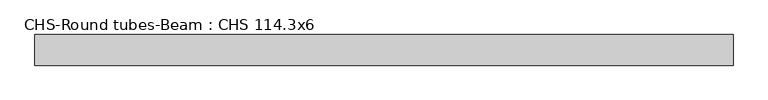
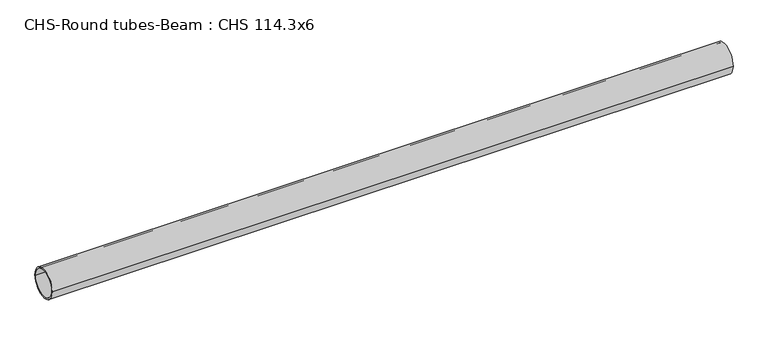
"""IFC4 building model written with IfcOpenShell, lengths in millimetres: beam geometry, CHS-Round tubes-Beam : CHS 114.3x6."""

from ifc_helpers import new_model, si_unit, point, frame, origin, origin_2d, place, context, project, spatial, circle_curve, trimmed, segment, composite_curve, outline, extrude, source, transform, mapped, element, save


def chs_round_tubes_beam_chs_114_3x6_0aba10a6(model_context):
    return source(origin(), model_context, "Body", "SweptSolid", [
        extrude(outline(composite_curve([segment(trimmed(circle_curve(origin_2d(), 57.15), [point((57.15, 0.0))], [point((-57.15, 0.0))], False, "CARTESIAN"), True, "CONTINUOUS"), segment(trimmed(circle_curve(origin_2d(), 57.15), [point((-57.15, 0.0))], [point((57.15, 0.0))], False, "CARTESIAN"), True, "CONTINUOUS")], self_intersect=False), holes=[composite_curve([segment(trimmed(circle_curve(origin_2d(), 51.15), [point((51.15, 0.0))], [point((-51.15, 0.0))], True, "CARTESIAN"), True, "CONTINUOUS"), segment(trimmed(circle_curve(origin_2d(), 51.15), [point((-51.15, 0.0))], [point((51.15, 0.0))], True, "CARTESIAN"), True, "CONTINUOUS")], self_intersect=False)]), frame((-1265.1332406, 0.0, 0.0), z_axis=(1.0, 0.0, 0.0), x_axis=(0.0, 1.0, 0.0)), (0.0, 0.0, 1.0), 2604.6385621),
    ])


if __name__ == "__main__":
    model = new_model("IFC4")
    model_context = context("Model", 3, world=origin())
    ifc_project = project(units=[si_unit("LENGTHUNIT", "METRE", prefix="MILLI")], contexts=[model_context])
    site = spatial("IfcSite", under=ifc_project)
    building = spatial("IfcBuilding", under=site)
    placement = place(None, origin())
    chs_round_tubes_beam_chs_114_3x6_shape = chs_round_tubes_beam_chs_114_3x6_0aba10a6(model_context)
    element("IfcBeam", 1, ObjectType="CHS-Round tubes-Beam : CHS 114.3x6", at=placement, inside=building, context=model_context, shape_type="MappedRepresentation", body=[
        mapped(chs_round_tubes_beam_chs_114_3x6_shape, transform((0.0, 0.0, 0.0), x_axis=(1.0, 0.0, 0.0), y_axis=(0.0, 1.0, 0.0), z_axis=(0.0, 0.0, 1.0))),
    ])
    save(model, "model.ifc")
